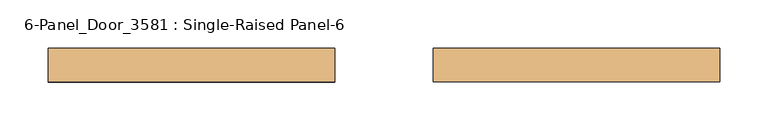
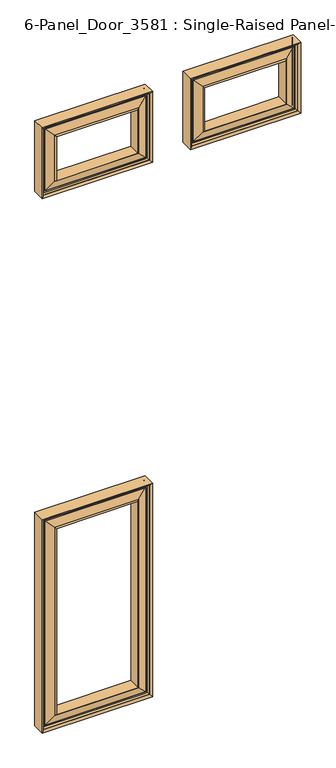
"""IFC4 building model written with IfcOpenShell, lengths in millimetres: door geometry, 6-Panel_Door_3581 : Single-Raised Panel-6."""

from ifc_helpers import new_model, si_unit, frame, origin, place, context, project, spatial, polyline, ellipse_curve, source, transform, mapped, element, save
from ifc_brep_helpers import plane_surface, cylinder_surface, revolved_surface, advanced_brep


def door_6_panel_door_3581_single_raised_panel_6_2811be14(model_context):
    return source(origin(), model_context, "Body", "AdvancedBrep", [
        advanced_brep(
        [(-346.075, -76.0029928, 209.55), (-346.075, -41.4748678, 209.55), (-50.8, -41.4748678, 209.55), (-50.8, -76.0029928, 209.55), (-341.3166359, -71.4389303, 214.3083641), (-55.5583641, -71.4389303, 214.3083641), (-336.55, -68.2639303, 219.075), (-339.725, -71.4389303, 215.9), (-57.15, -71.4389303, 215.9), (-60.325, -68.2639303, 219.075), (-333.375, -66.6613447, 222.25), (-333.375, -68.2639303, 222.25), (-63.5, -68.2639303, 222.25), (-63.5, -66.6613447, 222.25), (-310.8719233, -73.1060696, 244.7530767), (-86.0030767, -73.1060696, 244.7530767), (-307.975, -76.0029928, 247.65), (-88.9, -76.0029928, 247.65), (-307.975, -41.6733053, 247.65), (-88.9, -41.6733053, 247.65), (-310.5938465, -44.2921518, 245.0311535), (-86.2811535, -44.2921518, 245.0311535), (-333.375, -50.8165159, 222.25), (-63.5, -50.8165159, 222.25), (-333.375, -49.2139303, 222.25), (-63.5, -49.2139303, 222.25), (-339.725, -46.0389303, 215.9), (-336.55, -49.2139303, 219.075), (-60.325, -49.2139303, 219.075), (-57.15, -46.0389303, 215.9), (-341.3166359, -46.0389303, 214.3083641), (-55.5583641, -46.0389303, 214.3083641), (-50.8, -41.4748678, 812.8), (-50.8, -76.0029928, 812.8), (-55.5583641, -71.4389303, 808.0416359), (-57.15, -71.4389303, 806.45), (-60.325, -68.2639303, 803.275), (-63.5, -68.2639303, 800.1), (-63.5, -66.6613447, 800.1), (-86.0030767, -73.1060696, 777.5969233), (-88.9, -76.0029928, 774.7), (-88.9, -41.6733053, 774.7), (-86.2811535, -44.2921518, 777.3188465), (-63.5, -50.8165159, 800.1), (-63.5, -49.2139303, 800.1), (-60.325, -49.2139303, 803.275), (-57.15, -46.0389303, 806.45), (-55.5583641, -46.0389303, 808.0416359), (-346.075, -41.4748678, 812.8), (-346.075, -76.0029928, 812.8), (-341.3166359, -71.4389303, 808.0416359), (-339.725, -71.4389303, 806.45), (-336.55, -68.2639303, 803.275), (-333.375, -68.2639303, 800.1), (-333.375, -66.6613447, 800.1), (-310.8719233, -73.1060696, 777.5969233), (-307.975, -76.0029928, 774.7), (-307.975, -41.6733053, 774.7), (-310.5938465, -44.2921518, 777.3188465), (-333.375, -50.8165159, 800.1), (-333.375, -49.2139303, 800.1), (-336.55, -49.2139303, 803.275), (-339.725, -46.0389303, 806.45), (-341.3166359, -46.0389303, 808.0416359)],
        [
            (0, 1),
            (1, 2),
            (2, 3),
            (3, 0),
            (4, 0, ellipse_curve(frame((-346.075, -71.2404928, 209.55), z_axis=(0.7071067811865475, 0.0, -0.7071067811865476), x_axis=(-0.7071067811865475, 0.0, -0.7071067811865475)), 6.7351921, 4.7625)),
            (3, 5, ellipse_curve(frame((-50.8, -71.2404928, 209.55), z_axis=(-0.7071067811865481, 0.0, -0.7071067811865469), x_axis=(-0.7071067811865469, 0.0, 0.707106781186548)), 6.7351921, 4.7625)),
            (5, 4),
            (6, 7, ellipse_curve(frame((-336.55, -71.4389303, 219.075), z_axis=(-0.7071067811865475, 0.0, 0.7071067811865476), x_axis=(0.7071067811865475, 0.0, 0.7071067811865475)), 4.4901281, 3.175)),
            (7, 8),
            (8, 9, ellipse_curve(frame((-60.325, -71.4389303, 219.075), z_axis=(0.7071067811865481, 0.0, 0.7071067811865469), x_axis=(0.7071067811865469, 0.0, -0.707106781186548)), 4.4901281, 3.175)),
            (9, 6),
            (10, 11),
            (11, 12),
            (12, 13),
            (13, 10),
            (14, 10),
            (13, 15),
            (15, 14),
            (16, 14),
            (15, 17),
            (17, 16),
            (18, 16),
            (17, 19),
            (19, 18),
            (20, 18),
            (19, 21),
            (21, 20),
            (22, 20),
            (21, 23),
            (23, 22),
            (24, 22),
            (23, 25),
            (25, 24),
            (26, 27, ellipse_curve(frame((-336.55, -46.0389303, 219.075), z_axis=(-0.7071067811865475, 0.0, 0.7071067811865476), x_axis=(0.7071067811865475, 0.0, 0.7071067811865475)), 4.4901281, 3.175)),
            (27, 28),
            (28, 29, ellipse_curve(frame((-60.325, -46.0389303, 219.075), z_axis=(0.7071067811865481, 0.0, 0.7071067811865469), x_axis=(0.7071067811865469, 0.0, -0.707106781186548)), 4.4901281, 3.175)),
            (29, 26),
            (1, 30, ellipse_curve(frame((-346.075, -46.2373678, 209.55), z_axis=(0.7071067811865475, 0.0, -0.7071067811865476), x_axis=(-0.7071067811865475, 0.0, -0.7071067811865475)), 6.7351921, 4.7625)),
            (30, 31),
            (31, 2, ellipse_curve(frame((-50.8, -46.2373678, 209.55), z_axis=(-0.7071067811865481, 0.0, -0.7071067811865469), x_axis=(-0.7071067811865469, 0.0, 0.707106781186548)), 6.7351921, 4.7625)),
            (2, 32),
            (32, 33),
            (33, 3),
            (33, 34, ellipse_curve(frame((-50.8, -71.2404928, 812.8), z_axis=(0.7071067811865469, 0.0, -0.7071067811865481), x_axis=(-0.707106781186548, 0.0, -0.7071067811865469)), 6.7351921, 4.7625)),
            (34, 5),
            (8, 35),
            (35, 36, ellipse_curve(frame((-60.325, -71.4389303, 803.275), z_axis=(-0.7071067811865469, 0.0, 0.7071067811865481), x_axis=(0.707106781186548, 0.0, 0.7071067811865469)), 4.4901281, 3.175)),
            (36, 9),
            (12, 37),
            (37, 38),
            (38, 13),
            (38, 39),
            (39, 15),
            (39, 40),
            (40, 17),
            (40, 41),
            (41, 19),
            (41, 42),
            (42, 21),
            (42, 43),
            (43, 23),
            (43, 44),
            (44, 25),
            (28, 45),
            (45, 46, ellipse_curve(frame((-60.325, -46.0389303, 803.275), z_axis=(-0.7071067811865469, 0.0, 0.7071067811865481), x_axis=(0.707106781186548, 0.0, 0.7071067811865469)), 4.4901281, 3.175)),
            (46, 29),
            (31, 47),
            (47, 32, ellipse_curve(frame((-50.8, -46.2373678, 812.8), z_axis=(0.7071067811865469, 0.0, -0.7071067811865481), x_axis=(-0.707106781186548, 0.0, -0.7071067811865469)), 6.7351921, 4.7625)),
            (32, 48),
            (48, 49),
            (49, 33),
            (49, 50, ellipse_curve(frame((-346.075, -71.2404928, 812.8), z_axis=(0.7071067811865476, 0.0, 0.7071067811865475), x_axis=(0.7071067811865475, 0.0, -0.7071067811865475)), 6.7351921, 4.7625)),
            (50, 34),
            (35, 51),
            (51, 52, ellipse_curve(frame((-336.55, -71.4389303, 803.275), z_axis=(-0.7071067811865476, 0.0, -0.7071067811865475), x_axis=(-0.7071067811865475, 0.0, 0.7071067811865475)), 4.4901281, 3.175)),
            (52, 36),
            (37, 53),
            (53, 54),
            (54, 38),
            (54, 55),
            (55, 39),
            (55, 56),
            (56, 40),
            (56, 57),
            (57, 41),
            (57, 58),
            (58, 42),
            (58, 59),
            (59, 43),
            (59, 60),
            (60, 44),
            (45, 61),
            (61, 62, ellipse_curve(frame((-336.55, -46.0389303, 803.275), z_axis=(-0.7071067811865476, 0.0, -0.7071067811865475), x_axis=(-0.7071067811865475, 0.0, 0.7071067811865475)), 4.4901281, 3.175)),
            (62, 46),
            (47, 63),
            (63, 48, ellipse_curve(frame((-346.075, -46.2373678, 812.8), z_axis=(0.7071067811865476, 0.0, 0.7071067811865475), x_axis=(0.7071067811865475, 0.0, -0.7071067811865475)), 6.7351921, 4.7625)),
            (48, 1),
            (0, 49),
            (4, 50),
            (7, 51),
            (6, 52),
            (11, 53),
            (10, 54),
            (14, 55),
            (16, 56),
            (18, 57),
            (20, 58),
            (22, 59),
            (24, 60),
            (27, 61),
            (26, 62),
            (30, 63),
        ],
        [
            plane_surface(frame((-346.075, -41.4748678, 209.55), z_axis=(0.0, 0.0, -1.0), x_axis=(1.0, 0.0, 0.0))),
            cylinder_surface(frame((-346.075, -71.2404928, 209.55), z_axis=(-1.0, 0.0, 0.0), x_axis=(0.0, -1.0, 0.0)), 4.7625),
            revolved_surface(polyline([(-57.149999972093724, -74.61393029999999, 219.075), (-339.7250000279063, -74.61393029999999, 219.075)]), (-346.075, -71.4389303, 219.075), (1.0, 0.0, 0.0)),
            plane_surface(frame((-333.375, -68.2639303, 222.25), z_axis=(0.0, 0.0, 1.0), x_axis=(1.0, 0.0, 0.0))),
            plane_surface(frame((-333.375, -66.6613447, 222.25), z_axis=(0.0, -0.9613513906237952, -0.2753243609739161), x_axis=(1.0, 0.0, 0.0))),
            plane_surface(frame((-310.8719233, -73.1060696, 244.7530767), z_axis=(0.0, -0.7071067811921127, -0.7071067811809825), x_axis=(1.0, 0.0, 0.0))),
            plane_surface(frame((-307.975, -76.0029928, 247.65), z_axis=(0.0, 0.0, 1.0), x_axis=(1.0, 0.0, 0.0))),
            plane_surface(frame((-307.975, -41.6733053, 247.65), z_axis=(0.0, 0.7071067811865441, -0.707106781186551), x_axis=(1.0, 0.0, 0.0))),
            plane_surface(frame((-310.5938465, -44.2921518, 245.0311535), z_axis=(0.0, 0.9613513906239465, -0.2753243609733877), x_axis=(1.0, 0.0, 0.0))),
            plane_surface(frame((-333.375, -50.8165159, 222.25), z_axis=(0.0, 0.0, 1.0), x_axis=(1.0, 0.0, 0.0))),
            revolved_surface(polyline([(-57.149999972093724, -49.213930299999994, 219.075), (-339.7250000279063, -49.213930299999994, 219.075)]), (-346.075, -46.0389303, 219.075), (1.0, 0.0, 0.0)),
            cylinder_surface(frame((-346.075, -46.2373678, 209.55), z_axis=(-1.0, 0.0, 0.0), x_axis=(0.0, -1.0, 0.0)), 4.7625),
            plane_surface(frame((-50.8, -41.4748678, 209.55), z_axis=(1.0, 0.0, 0.0), x_axis=(0.0, 0.0, 1.0))),
            cylinder_surface(frame((-50.8, -71.2404928, 209.55), z_axis=(0.0, 0.0, -1.0), x_axis=(0.0, -1.0, 0.0)), 4.7625),
            revolved_surface(polyline([(-60.325, -74.61393029999999, 806.4500000279063), (-60.325, -74.61393029999999, 215.89999997209372)]), (-60.325, -71.4389303, 209.55), (0.0, 0.0, 1.0)),
            plane_surface(frame((-63.5, -68.2639303, 222.25), z_axis=(-1.0, 0.0, 0.0), x_axis=(0.0, 0.0, 1.0))),
            plane_surface(frame((-63.5, -66.6613447, 222.25), z_axis=(0.2753243609739161, -0.9613513906237952, 0.0), x_axis=(0.0, 0.0, 1.0))),
            plane_surface(frame((-86.0030767, -73.1060696, 244.7530767), z_axis=(0.7071067811809825, -0.7071067811921127, 0.0), x_axis=(0.0, 0.0, 1.0))),
            plane_surface(frame((-88.9, -76.0029928, 247.65), z_axis=(-1.0, 0.0, 0.0), x_axis=(0.0, 0.0, 1.0))),
            plane_surface(frame((-88.9, -41.6733053, 247.65), z_axis=(0.707106781186551, 0.7071067811865441, 0.0), x_axis=(0.0, 0.0, 1.0))),
            plane_surface(frame((-86.2811535, -44.2921518, 245.0311535), z_axis=(0.2753243609733877, 0.9613513906239465, 0.0), x_axis=(0.0, 0.0, 1.0))),
            plane_surface(frame((-63.5, -50.8165159, 222.25), z_axis=(-1.0, 0.0, 0.0), x_axis=(0.0, 0.0, 1.0))),
            revolved_surface(polyline([(-60.325, -49.213930299999994, 806.4500000279063), (-60.325, -49.213930299999994, 215.89999997209372)]), (-60.325, -46.0389303, 209.55), (0.0, 0.0, 1.0)),
            cylinder_surface(frame((-50.8, -46.2373678, 209.55), z_axis=(0.0, 0.0, -1.0), x_axis=(0.0, -1.0, 0.0)), 4.7625),
            plane_surface(frame((-50.8, -41.4748678, 812.8), z_axis=(0.0, 0.0, 1.0), x_axis=(-1.0, 0.0, 0.0))),
            cylinder_surface(frame((-50.8, -71.2404928, 812.8), z_axis=(1.0, 0.0, 0.0), x_axis=(0.0, -1.0, 0.0)), 4.7625),
            revolved_surface(polyline([(-339.7250000279063, -74.61393029999999, 803.275), (-57.14999997209373, -74.61393029999999, 803.275)]), (-50.8, -71.4389303, 803.275), (-1.0, 0.0, 0.0)),
            plane_surface(frame((-63.5, -68.2639303, 800.1), z_axis=(0.0, 0.0, -1.0), x_axis=(-1.0, 0.0, 0.0))),
            plane_surface(frame((-63.5, -66.6613447, 800.1), z_axis=(0.0, -0.9613513906237952, 0.2753243609739161), x_axis=(-1.0, 0.0, 0.0))),
            plane_surface(frame((-86.0030767, -73.1060696, 777.5969233), z_axis=(0.0, -0.7071067811921127, 0.7071067811809825), x_axis=(-1.0, 0.0, 0.0))),
            plane_surface(frame((-88.9, -76.0029928, 774.7), z_axis=(0.0, 0.0, -1.0), x_axis=(-1.0, 0.0, 0.0))),
            plane_surface(frame((-88.9, -41.6733053, 774.7), z_axis=(0.0, 0.7071067811865441, 0.707106781186551), x_axis=(-1.0, 0.0, 0.0))),
            plane_surface(frame((-86.2811535, -44.2921518, 777.3188465), z_axis=(0.0, 0.9613513906239465, 0.2753243609733877), x_axis=(-1.0, 0.0, 0.0))),
            plane_surface(frame((-63.5, -50.8165159, 800.1), z_axis=(0.0, 0.0, -1.0), x_axis=(-1.0, 0.0, 0.0))),
            revolved_surface(polyline([(-339.7250000279063, -49.213930299999994, 803.275), (-57.14999997209373, -49.213930299999994, 803.275)]), (-50.8, -46.0389303, 803.275), (-1.0, 0.0, 0.0)),
            cylinder_surface(frame((-50.8, -46.2373678, 812.8), z_axis=(1.0, 0.0, 0.0), x_axis=(0.0, -1.0, 0.0)), 4.7625),
            plane_surface(frame((-346.075, -41.4748678, 812.8), z_axis=(-1.0, 0.0, 0.0), x_axis=(0.0, 0.0, -1.0))),
            cylinder_surface(frame((-346.075, -71.2404928, 812.8), z_axis=(0.0, 0.0, 1.0), x_axis=(0.0, -1.0, 0.0)), 4.7625),
            plane_surface(frame((-341.3166359, -71.4389303, 808.0416359), z_axis=(0.0, -1.0, 0.0), x_axis=(0.0, 0.0, -1.0))),
            revolved_surface(polyline([(-336.55, -74.61393029999999, 215.89999997209372), (-336.55, -74.61393029999999, 806.4500000279063)]), (-336.55, -71.4389303, 812.8), (0.0, 0.0, -1.0)),
            plane_surface(frame((-336.55, -68.2639303, 803.275), z_axis=(0.0, -1.0, 0.0), x_axis=(0.0, 0.0, -1.0))),
            plane_surface(frame((-333.375, -68.2639303, 800.1), z_axis=(1.0, 0.0, 0.0), x_axis=(0.0, 0.0, -1.0))),
            plane_surface(frame((-333.375, -66.6613447, 800.1), z_axis=(-0.2753243609739161, -0.9613513906237952, 0.0), x_axis=(0.0, 0.0, -1.0))),
            plane_surface(frame((-310.8719233, -73.1060696, 777.5969233), z_axis=(-0.7071067811809825, -0.7071067811921127, 0.0), x_axis=(0.0, 0.0, -1.0))),
            plane_surface(frame((-307.975, -76.0029928, 774.7), z_axis=(1.0, 0.0, 0.0), x_axis=(0.0, 0.0, -1.0))),
            plane_surface(frame((-307.975, -41.6733053, 774.7), z_axis=(-0.707106781186551, 0.7071067811865441, 0.0), x_axis=(0.0, 0.0, -1.0))),
            plane_surface(frame((-310.5938465, -44.2921518, 777.3188465), z_axis=(-0.2753243609733877, 0.9613513906239465, 0.0), x_axis=(0.0, 0.0, -1.0))),
            plane_surface(frame((-333.375, -50.8165159, 800.1), z_axis=(1.0, 0.0, 0.0), x_axis=(0.0, 0.0, -1.0))),
            plane_surface(frame((-333.375, -49.2139303, 800.1), z_axis=(0.0, 1.0, 0.0), x_axis=(0.0, 0.0, -1.0))),
            revolved_surface(polyline([(-336.55, -49.213930299999994, 215.89999997209372), (-336.55, -49.213930299999994, 806.4500000279063)]), (-336.55, -46.0389303, 812.8), (0.0, 0.0, -1.0)),
            plane_surface(frame((-339.725, -46.0389303, 806.45), z_axis=(0.0, 1.0, 0.0), x_axis=(0.0, 0.0, -1.0))),
            cylinder_surface(frame((-346.075, -46.2373678, 812.8), z_axis=(0.0, 0.0, 1.0), x_axis=(0.0, -1.0, 0.0)), 4.7625),
        ],
        [
            (0, [[1, 2, 3, 4]]),
            (1, [[5, -4, 6, 7]]),
            (2, [[8, 9, 10, 11]]),
            (3, [[12, 13, 14, 15]]),
            (4, [[16, -15, 17, 18]]),
            (5, [[19, -18, 20, 21]]),
            (6, [[22, -21, 23, 24]]),
            (7, [[25, -24, 26, 27]]),
            (8, [[28, -27, 29, 30]]),
            (9, [[31, -30, 32, 33]]),
            (10, [[34, 35, 36, 37]]),
            (11, [[38, 39, 40, -2]]),
            (12, [[-3, 41, 42, 43]]),
            (13, [[-6, -43, 44, 45]]),
            (14, [[-10, 46, 47, 48]]),
            (15, [[-14, 49, 50, 51]]),
            (16, [[-17, -51, 52, 53]]),
            (17, [[-20, -53, 54, 55]]),
            (18, [[-23, -55, 56, 57]]),
            (19, [[-26, -57, 58, 59]]),
            (20, [[-29, -59, 60, 61]]),
            (21, [[-32, -61, 62, 63]]),
            (22, [[-36, 64, 65, 66]]),
            (23, [[-40, 67, 68, -41]]),
            (24, [[-42, 69, 70, 71]]),
            (25, [[-44, -71, 72, 73]]),
            (26, [[-47, 74, 75, 76]]),
            (27, [[-50, 77, 78, 79]]),
            (28, [[-52, -79, 80, 81]]),
            (29, [[-54, -81, 82, 83]]),
            (30, [[-56, -83, 84, 85]]),
            (31, [[-58, -85, 86, 87]]),
            (32, [[-60, -87, 88, 89]]),
            (33, [[-62, -89, 90, 91]]),
            (34, [[-65, 92, 93, 94]]),
            (35, [[-68, 95, 96, -69]]),
            (36, [[-70, 97, -1, 98]]),
            (37, [[-72, -98, -5, 99]]),
            (38, [[-45, -73, -99, -7], [100, -74, -46, -9]]),
            (39, [[-75, -100, -8, 101]]),
            (40, [[-48, -76, -101, -11], [102, -77, -49, -13]]),
            (41, [[-78, -102, -12, 103]]),
            (42, [[-80, -103, -16, 104]]),
            (43, [[-82, -104, -19, 105]]),
            (44, [[-84, -105, -22, 106]]),
            (45, [[-86, -106, -25, 107]]),
            (46, [[-88, -107, -28, 108]]),
            (47, [[-90, -108, -31, 109]]),
            (48, [[110, -92, -64, -35], [-63, -91, -109, -33]]),
            (49, [[-93, -110, -34, 111]]),
            (50, [[112, -95, -67, -39], [-66, -94, -111, -37]]),
            (51, [[-96, -112, -38, -97]]),
        ],
    ),
        advanced_brep(
        [(50.8, -76.0029928, 1720.85), (50.8, -41.4748678, 1720.85), (346.075, -41.4748678, 1720.85), (346.075, -76.0029928, 1720.85), (55.5583641, -71.4389303, 1725.6083641), (341.3166359, -71.4389303, 1725.6083641), (60.325, -68.2639303, 1730.375), (57.15, -71.4389303, 1727.2), (339.725, -71.4389303, 1727.2), (336.55, -68.2639303, 1730.375), (63.5, -66.6613447, 1733.55), (63.5, -68.2639303, 1733.55), (333.375, -68.2639303, 1733.55), (333.375, -66.6613447, 1733.55), (86.0030767, -73.1060696, 1756.0530767), (310.8719233, -73.1060696, 1756.0530767), (88.9, -76.0029928, 1758.95), (307.975, -76.0029928, 1758.95), (88.9, -41.6733053, 1758.95), (307.975, -41.6733053, 1758.95), (86.2811535, -44.2921518, 1756.3311535), (310.5938465, -44.2921518, 1756.3311535), (63.5, -50.8165159, 1733.55), (333.375, -50.8165159, 1733.55), (63.5, -49.2139303, 1733.55), (333.375, -49.2139303, 1733.55), (57.15, -46.0389303, 1727.2), (60.325, -49.2139303, 1730.375), (336.55, -49.2139303, 1730.375), (339.725, -46.0389303, 1727.2), (55.5583641, -46.0389303, 1725.6083641), (341.3166359, -46.0389303, 1725.6083641), (346.075, -41.4748678, 1920.875), (346.075, -76.0029928, 1920.875), (341.3166359, -71.4389303, 1916.1166359), (339.725, -71.4389303, 1914.525), (336.55, -68.2639303, 1911.35), (333.375, -68.2639303, 1908.175), (333.375, -66.6613447, 1908.175), (310.8719233, -73.1060696, 1885.6719233), (307.975, -76.0029928, 1882.775), (307.975, -41.6733053, 1882.775), (310.5938465, -44.2921518, 1885.3938465), (333.375, -50.8165159, 1908.175), (333.375, -49.2139303, 1908.175), (336.55, -49.2139303, 1911.35), (339.725, -46.0389303, 1914.525), (341.3166359, -46.0389303, 1916.1166359), (50.8, -41.4748678, 1920.875), (50.8, -76.0029928, 1920.875), (55.5583641, -71.4389303, 1916.1166359), (57.15, -71.4389303, 1914.525), (60.325, -68.2639303, 1911.35), (63.5, -68.2639303, 1908.175), (63.5, -66.6613447, 1908.175), (86.0030767, -73.1060696, 1885.6719233), (88.9, -76.0029928, 1882.775), (88.9, -41.6733053, 1882.775), (86.2811535, -44.2921518, 1885.3938465), (63.5, -50.8165159, 1908.175), (63.5, -49.2139303, 1908.175), (60.325, -49.2139303, 1911.35), (57.15, -46.0389303, 1914.525), (55.5583641, -46.0389303, 1916.1166359)],
        [
            (0, 1),
            (1, 2),
            (2, 3),
            (3, 0),
            (4, 0, ellipse_curve(frame((50.8, -71.2404928, 1720.85), z_axis=(0.7071067811865475, 0.0, -0.7071067811865475), x_axis=(-0.7071067811865476, 0.0, -0.7071067811865474)), 6.7351921, 4.7625)),
            (3, 5, ellipse_curve(frame((346.075, -71.2404928, 1720.85), z_axis=(-0.7071067811865475, 0.0, -0.7071067811865475), x_axis=(-0.7071067811865476, 0.0, 0.7071067811865474)), 6.7351921, 4.7625)),
            (5, 4),
            (6, 7, ellipse_curve(frame((60.325, -71.4389303, 1730.375), z_axis=(-0.7071067811865475, 0.0, 0.7071067811865475), x_axis=(0.7071067811865476, 0.0, 0.7071067811865474)), 4.4901281, 3.175)),
            (7, 8),
            (8, 9, ellipse_curve(frame((336.55, -71.4389303, 1730.375), z_axis=(0.7071067811865475, 0.0, 0.7071067811865475), x_axis=(0.7071067811865476, 0.0, -0.7071067811865474)), 4.4901281, 3.175)),
            (9, 6),
            (10, 11),
            (11, 12),
            (12, 13),
            (13, 10),
            (14, 10),
            (13, 15),
            (15, 14),
            (16, 14),
            (15, 17),
            (17, 16),
            (18, 16),
            (17, 19),
            (19, 18),
            (20, 18),
            (19, 21),
            (21, 20),
            (22, 20),
            (21, 23),
            (23, 22),
            (24, 22),
            (23, 25),
            (25, 24),
            (26, 27, ellipse_curve(frame((60.325, -46.0389303, 1730.375), z_axis=(-0.7071067811865475, 0.0, 0.7071067811865475), x_axis=(0.7071067811865476, 0.0, 0.7071067811865474)), 4.4901281, 3.175)),
            (27, 28),
            (28, 29, ellipse_curve(frame((336.55, -46.0389303, 1730.375), z_axis=(0.7071067811865475, 0.0, 0.7071067811865475), x_axis=(0.7071067811865476, 0.0, -0.7071067811865474)), 4.4901281, 3.175)),
            (29, 26),
            (1, 30, ellipse_curve(frame((50.8, -46.2373678, 1720.85), z_axis=(0.7071067811865475, 0.0, -0.7071067811865475), x_axis=(-0.7071067811865476, 0.0, -0.7071067811865474)), 6.7351921, 4.7625)),
            (30, 31),
            (31, 2, ellipse_curve(frame((346.075, -46.2373678, 1720.85), z_axis=(-0.7071067811865475, 0.0, -0.7071067811865475), x_axis=(-0.7071067811865476, 0.0, 0.7071067811865474)), 6.7351921, 4.7625)),
            (2, 32),
            (32, 33),
            (33, 3),
            (33, 34, ellipse_curve(frame((346.075, -71.2404928, 1920.875), z_axis=(0.7071067811865475, 0.0, -0.7071067811865475), x_axis=(-0.7071067811865474, 0.0, -0.7071067811865476)), 6.7351921, 4.7625)),
            (34, 5),
            (8, 35),
            (35, 36, ellipse_curve(frame((336.55, -71.4389303, 1911.35), z_axis=(-0.7071067811865475, 0.0, 0.7071067811865475), x_axis=(0.7071067811865474, 0.0, 0.7071067811865476)), 4.4901281, 3.175)),
            (36, 9),
            (12, 37),
            (37, 38),
            (38, 13),
            (38, 39),
            (39, 15),
            (39, 40),
            (40, 17),
            (40, 41),
            (41, 19),
            (41, 42),
            (42, 21),
            (42, 43),
            (43, 23),
            (43, 44),
            (44, 25),
            (28, 45),
            (45, 46, ellipse_curve(frame((336.55, -46.0389303, 1911.35), z_axis=(-0.7071067811865475, 0.0, 0.7071067811865475), x_axis=(0.7071067811865474, 0.0, 0.7071067811865476)), 4.4901281, 3.175)),
            (46, 29),
            (31, 47),
            (47, 32, ellipse_curve(frame((346.075, -46.2373678, 1920.875), z_axis=(0.7071067811865475, 0.0, -0.7071067811865475), x_axis=(-0.7071067811865474, 0.0, -0.7071067811865476)), 6.7351921, 4.7625)),
            (32, 48),
            (48, 49),
            (49, 33),
            (49, 50, ellipse_curve(frame((50.8, -71.2404928, 1920.875), z_axis=(0.7071067811865475, 0.0, 0.7071067811865475), x_axis=(0.7071067811865476, 0.0, -0.7071067811865474)), 6.7351921, 4.7625)),
            (50, 34),
            (35, 51),
            (51, 52, ellipse_curve(frame((60.325, -71.4389303, 1911.35), z_axis=(-0.7071067811865475, 0.0, -0.7071067811865475), x_axis=(-0.7071067811865476, 0.0, 0.7071067811865474)), 4.4901281, 3.175)),
            (52, 36),
            (37, 53),
            (53, 54),
            (54, 38),
            (54, 55),
            (55, 39),
            (55, 56),
            (56, 40),
            (56, 57),
            (57, 41),
            (57, 58),
            (58, 42),
            (58, 59),
            (59, 43),
            (59, 60),
            (60, 44),
            (45, 61),
            (61, 62, ellipse_curve(frame((60.325, -46.0389303, 1911.35), z_axis=(-0.7071067811865475, 0.0, -0.7071067811865475), x_axis=(-0.7071067811865476, 0.0, 0.7071067811865474)), 4.4901281, 3.175)),
            (62, 46),
            (47, 63),
            (63, 48, ellipse_curve(frame((50.8, -46.2373678, 1920.875), z_axis=(0.7071067811865475, 0.0, 0.7071067811865475), x_axis=(0.7071067811865476, 0.0, -0.7071067811865474)), 6.7351921, 4.7625)),
            (48, 1),
            (0, 49),
            (4, 50),
            (7, 51),
            (6, 52),
            (11, 53),
            (10, 54),
            (14, 55),
            (16, 56),
            (18, 57),
            (20, 58),
            (22, 59),
            (24, 60),
            (27, 61),
            (26, 62),
            (30, 63),
        ],
        [
            plane_surface(frame((50.8, -41.4748678, 1720.85), z_axis=(0.0, 0.0, -1.0), x_axis=(1.0, 0.0, 0.0))),
            cylinder_surface(frame((50.8, -71.2404928, 1720.85), z_axis=(-1.0, 0.0, 0.0), x_axis=(0.0, -1.0, 0.0)), 4.7625),
            revolved_surface(polyline([(339.7250000279063, -74.61393029999999, 1730.375), (57.14999997209374, -74.61393029999999, 1730.375)]), (50.8, -71.4389303, 1730.375), (1.0, 0.0, 0.0)),
            plane_surface(frame((63.5, -68.2639303, 1733.55), z_axis=(0.0, 0.0, 1.0), x_axis=(1.0, 0.0, 0.0))),
            plane_surface(frame((63.5, -66.6613447, 1733.55), z_axis=(0.0, -0.9613513906239444, -0.27532436097339497), x_axis=(1.0, 0.0, 0.0))),
            plane_surface(frame((86.0030767, -73.1060696, 1756.0530767), z_axis=(0.0, -0.7071067811865517, -0.7071067811865435), x_axis=(1.0, 0.0, 0.0))),
            plane_surface(frame((88.9, -76.0029928, 1758.95), z_axis=(0.0, 0.0, 1.0), x_axis=(1.0, 0.0, 0.0))),
            plane_surface(frame((88.9, -41.6733053, 1758.95), z_axis=(0.0, 0.7071067811865452, -0.7071067811865498), x_axis=(1.0, 0.0, 0.0))),
            plane_surface(frame((86.2811535, -44.2921518, 1756.3311535), z_axis=(0.0, 0.9613513906239086, -0.27532436097352025), x_axis=(1.0, 0.0, 0.0))),
            plane_surface(frame((63.5, -50.8165159, 1733.55), z_axis=(0.0, 0.0, 1.0), x_axis=(1.0, 0.0, 0.0))),
            revolved_surface(polyline([(339.7250000279063, -49.213930299999994, 1730.375), (57.14999997209374, -49.213930299999994, 1730.375)]), (50.8, -46.0389303, 1730.375), (1.0, 0.0, 0.0)),
            cylinder_surface(frame((50.8, -46.2373678, 1720.85), z_axis=(-1.0, 0.0, 0.0), x_axis=(0.0, -1.0, 0.0)), 4.7625),
            plane_surface(frame((346.075, -41.4748678, 1720.85), z_axis=(1.0, 0.0, 0.0), x_axis=(0.0, 0.0, 1.0))),
            cylinder_surface(frame((346.075, -71.2404928, 1720.85), z_axis=(0.0, 0.0, -1.0), x_axis=(0.0, -1.0, 0.0)), 4.7625),
            revolved_surface(polyline([(336.55, -74.61393029999999, 1914.5250000279061), (336.55, -74.61393029999999, 1727.1999999720938)]), (336.55, -71.4389303, 1720.85), (0.0, 0.0, 1.0)),
            plane_surface(frame((333.375, -68.2639303, 1733.55), z_axis=(-1.0, 0.0, 0.0), x_axis=(0.0, 0.0, 1.0))),
            plane_surface(frame((333.375, -66.6613447, 1733.55), z_axis=(0.27532436097339497, -0.9613513906239444, 0.0), x_axis=(0.0, 0.0, 1.0))),
            plane_surface(frame((310.8719233, -73.1060696, 1756.0530767), z_axis=(0.7071067811865435, -0.7071067811865517, 0.0), x_axis=(0.0, 0.0, 1.0))),
            plane_surface(frame((307.975, -76.0029928, 1758.95), z_axis=(-1.0, 0.0, 0.0), x_axis=(0.0, 0.0, 1.0))),
            plane_surface(frame((307.975, -41.6733053, 1758.95), z_axis=(0.7071067811865498, 0.7071067811865452, 0.0), x_axis=(0.0, 0.0, 1.0))),
            plane_surface(frame((310.5938465, -44.2921518, 1756.3311535), z_axis=(0.27532436097352025, 0.9613513906239086, 0.0), x_axis=(0.0, 0.0, 1.0))),
            plane_surface(frame((333.375, -50.8165159, 1733.55), z_axis=(-1.0, 0.0, 0.0), x_axis=(0.0, 0.0, 1.0))),
            revolved_surface(polyline([(336.55, -49.213930299999994, 1914.5250000279061), (336.55, -49.213930299999994, 1727.1999999720938)]), (336.55, -46.0389303, 1720.85), (0.0, 0.0, 1.0)),
            cylinder_surface(frame((346.075, -46.2373678, 1720.85), z_axis=(0.0, 0.0, -1.0), x_axis=(0.0, -1.0, 0.0)), 4.7625),
            plane_surface(frame((346.075, -41.4748678, 1920.875), z_axis=(0.0, 0.0, 1.0), x_axis=(-1.0, 0.0, 0.0))),
            cylinder_surface(frame((346.075, -71.2404928, 1920.875), z_axis=(1.0, 0.0, 0.0), x_axis=(0.0, -1.0, 0.0)), 4.7625),
            revolved_surface(polyline([(57.149999972093724, -74.61393029999999, 1911.35), (339.7250000279063, -74.61393029999999, 1911.35)]), (346.075, -71.4389303, 1911.35), (-1.0, 0.0, 0.0)),
            plane_surface(frame((333.375, -68.2639303, 1908.175), z_axis=(0.0, 0.0, -1.0), x_axis=(-1.0, 0.0, 0.0))),
            plane_surface(frame((333.375, -66.6613447, 1908.175), z_axis=(0.0, -0.9613513906239444, 0.27532436097339497), x_axis=(-1.0, 0.0, 0.0))),
            plane_surface(frame((310.8719233, -73.1060696, 1885.6719233), z_axis=(0.0, -0.7071067811865517, 0.7071067811865435), x_axis=(-1.0, 0.0, 0.0))),
            plane_surface(frame((307.975, -76.0029928, 1882.775), z_axis=(0.0, 0.0, -1.0), x_axis=(-1.0, 0.0, 0.0))),
            plane_surface(frame((307.975, -41.6733053, 1882.775), z_axis=(0.0, 0.7071067811865452, 0.7071067811865498), x_axis=(-1.0, 0.0, 0.0))),
            plane_surface(frame((310.5938465, -44.2921518, 1885.3938465), z_axis=(0.0, 0.9613513906239086, 0.27532436097352025), x_axis=(-1.0, 0.0, 0.0))),
            plane_surface(frame((333.375, -50.8165159, 1908.175), z_axis=(0.0, 0.0, -1.0), x_axis=(-1.0, 0.0, 0.0))),
            revolved_surface(polyline([(57.149999972093724, -49.213930299999994, 1911.35), (339.7250000279063, -49.213930299999994, 1911.35)]), (346.075, -46.0389303, 1911.35), (-1.0, 0.0, 0.0)),
            cylinder_surface(frame((346.075, -46.2373678, 1920.875), z_axis=(1.0, 0.0, 0.0), x_axis=(0.0, -1.0, 0.0)), 4.7625),
            plane_surface(frame((50.8, -41.4748678, 1920.875), z_axis=(-1.0, 0.0, 0.0), x_axis=(0.0, 0.0, -1.0))),
            cylinder_surface(frame((50.8, -71.2404928, 1920.875), z_axis=(0.0, 0.0, 1.0), x_axis=(0.0, -1.0, 0.0)), 4.7625),
            plane_surface(frame((55.5583641, -71.4389303, 1916.1166359), z_axis=(0.0, -1.0, 0.0), x_axis=(0.0, 0.0, -1.0))),
            revolved_surface(polyline([(60.325, -74.61393029999999, 1727.1999999720938), (60.325, -74.61393029999999, 1914.5250000279061)]), (60.325, -71.4389303, 1920.875), (0.0, 0.0, -1.0)),
            plane_surface(frame((60.325, -68.2639303, 1911.35), z_axis=(0.0, -1.0, 0.0), x_axis=(0.0, 0.0, -1.0))),
            plane_surface(frame((63.5, -68.2639303, 1908.175), z_axis=(1.0, 0.0, 0.0), x_axis=(0.0, 0.0, -1.0))),
            plane_surface(frame((63.5, -66.6613447, 1908.175), z_axis=(-0.27532436097339497, -0.9613513906239444, 0.0), x_axis=(0.0, 0.0, -1.0))),
            plane_surface(frame((86.0030767, -73.1060696, 1885.6719233), z_axis=(-0.7071067811865435, -0.7071067811865517, 0.0), x_axis=(0.0, 0.0, -1.0))),
            plane_surface(frame((88.9, -76.0029928, 1882.775), z_axis=(1.0, 0.0, 0.0), x_axis=(0.0, 0.0, -1.0))),
            plane_surface(frame((88.9, -41.6733053, 1882.775), z_axis=(-0.7071067811865498, 0.7071067811865452, 0.0), x_axis=(0.0, 0.0, -1.0))),
            plane_surface(frame((86.2811535, -44.2921518, 1885.3938465), z_axis=(-0.27532436097352025, 0.9613513906239086, 0.0), x_axis=(0.0, 0.0, -1.0))),
            plane_surface(frame((63.5, -50.8165159, 1908.175), z_axis=(1.0, 0.0, 0.0), x_axis=(0.0, 0.0, -1.0))),
            plane_surface(frame((63.5, -49.2139303, 1908.175), z_axis=(0.0, 1.0, 0.0), x_axis=(0.0, 0.0, -1.0))),
            revolved_surface(polyline([(60.325, -49.213930299999994, 1727.1999999720938), (60.325, -49.213930299999994, 1914.5250000279061)]), (60.325, -46.0389303, 1920.875), (0.0, 0.0, -1.0)),
            plane_surface(frame((57.15, -46.0389303, 1914.525), z_axis=(0.0, 1.0, 0.0), x_axis=(0.0, 0.0, -1.0))),
            cylinder_surface(frame((50.8, -46.2373678, 1920.875), z_axis=(0.0, 0.0, 1.0), x_axis=(0.0, -1.0, 0.0)), 4.7625),
        ],
        [
            (0, [[1, 2, 3, 4]]),
            (1, [[5, -4, 6, 7]]),
            (2, [[8, 9, 10, 11]]),
            (3, [[12, 13, 14, 15]]),
            (4, [[16, -15, 17, 18]]),
            (5, [[19, -18, 20, 21]]),
            (6, [[22, -21, 23, 24]]),
            (7, [[25, -24, 26, 27]]),
            (8, [[28, -27, 29, 30]]),
            (9, [[31, -30, 32, 33]]),
            (10, [[34, 35, 36, 37]]),
            (11, [[38, 39, 40, -2]]),
            (12, [[-3, 41, 42, 43]]),
            (13, [[-6, -43, 44, 45]]),
            (14, [[-10, 46, 47, 48]]),
            (15, [[-14, 49, 50, 51]]),
            (16, [[-17, -51, 52, 53]]),
            (17, [[-20, -53, 54, 55]]),
            (18, [[-23, -55, 56, 57]]),
            (19, [[-26, -57, 58, 59]]),
            (20, [[-29, -59, 60, 61]]),
            (21, [[-32, -61, 62, 63]]),
            (22, [[-36, 64, 65, 66]]),
            (23, [[-40, 67, 68, -41]]),
            (24, [[-42, 69, 70, 71]]),
            (25, [[-44, -71, 72, 73]]),
            (26, [[-47, 74, 75, 76]]),
            (27, [[-50, 77, 78, 79]]),
            (28, [[-52, -79, 80, 81]]),
            (29, [[-54, -81, 82, 83]]),
            (30, [[-56, -83, 84, 85]]),
            (31, [[-58, -85, 86, 87]]),
            (32, [[-60, -87, 88, 89]]),
            (33, [[-62, -89, 90, 91]]),
            (34, [[-65, 92, 93, 94]]),
            (35, [[-68, 95, 96, -69]]),
            (36, [[-70, 97, -1, 98]]),
            (37, [[-72, -98, -5, 99]]),
            (38, [[-45, -73, -99, -7], [100, -74, -46, -9]]),
            (39, [[-75, -100, -8, 101]]),
            (40, [[-48, -76, -101, -11], [102, -77, -49, -13]]),
            (41, [[-78, -102, -12, 103]]),
            (42, [[-80, -103, -16, 104]]),
            (43, [[-82, -104, -19, 105]]),
            (44, [[-84, -105, -22, 106]]),
            (45, [[-86, -106, -25, 107]]),
            (46, [[-88, -107, -28, 108]]),
            (47, [[-90, -108, -31, 109]]),
            (48, [[110, -92, -64, -35], [-63, -91, -109, -33]]),
            (49, [[-93, -110, -34, 111]]),
            (50, [[112, -95, -67, -39], [-66, -94, -111, -37]]),
            (51, [[-96, -112, -38, -97]]),
        ],
    ),
        advanced_brep(
        [(-341.3166359, -46.0389303, 1916.1166359), (-346.075, -41.4748678, 1920.875), (-50.8, -41.4748678, 1920.875), (-55.5583641, -46.0389303, 1916.1166359), (-336.55, -49.2139303, 1911.35), (-339.725, -46.0389303, 1914.525), (-57.15, -46.0389303, 1914.525), (-60.325, -49.2139303, 1911.35), (-333.375, -50.8165159, 1908.175), (-333.375, -49.2139303, 1908.175), (-63.5, -49.2139303, 1908.175), (-63.5, -50.8165159, 1908.175), (-310.5938465, -44.2921518, 1885.3938465), (-86.2811535, -44.2921518, 1885.3938465), (-307.975, -41.6733053, 1882.775), (-88.9, -41.6733053, 1882.775), (-307.975, -76.0029928, 1882.775), (-88.9, -76.0029928, 1882.775), (-310.8719233, -73.1060696, 1885.6719233), (-86.0030767, -73.1060696, 1885.6719233), (-333.375, -66.6613447, 1908.175), (-63.5, -66.6613447, 1908.175), (-333.375, -68.2639303, 1908.175), (-63.5, -68.2639303, 1908.175), (-339.725, -71.4389303, 1914.525), (-336.55, -68.2639303, 1911.35), (-60.325, -68.2639303, 1911.35), (-57.15, -71.4389303, 1914.525), (-346.075, -76.0029928, 1920.875), (-341.3166359, -71.4389303, 1916.1166359), (-55.5583641, -71.4389303, 1916.1166359), (-50.8, -76.0029928, 1920.875), (-50.8, -41.4748678, 1720.85), (-55.5583641, -46.0389303, 1725.6083641), (-57.15, -46.0389303, 1727.2), (-60.325, -49.2139303, 1730.375), (-63.5, -49.2139303, 1733.55), (-63.5, -50.8165159, 1733.55), (-86.2811535, -44.2921518, 1756.3311535), (-88.9, -41.6733053, 1758.95), (-88.9, -76.0029928, 1758.95), (-86.0030767, -73.1060696, 1756.0530767), (-63.5, -66.6613447, 1733.55), (-63.5, -68.2639303, 1733.55), (-60.325, -68.2639303, 1730.375), (-57.15, -71.4389303, 1727.2), (-55.5583641, -71.4389303, 1725.6083641), (-50.8, -76.0029928, 1720.85), (-346.075, -41.4748678, 1720.85), (-341.3166359, -46.0389303, 1725.6083641), (-339.725, -46.0389303, 1727.2), (-336.55, -49.2139303, 1730.375), (-333.375, -49.2139303, 1733.55), (-333.375, -50.8165159, 1733.55), (-310.5938465, -44.2921518, 1756.3311535), (-307.975, -41.6733053, 1758.95), (-307.975, -76.0029928, 1758.95), (-310.8719233, -73.1060696, 1756.0530767), (-333.375, -66.6613447, 1733.55), (-333.375, -68.2639303, 1733.55), (-336.55, -68.2639303, 1730.375), (-339.725, -71.4389303, 1727.2), (-341.3166359, -71.4389303, 1725.6083641), (-346.075, -76.0029928, 1720.85)],
        [
            (0, 1, ellipse_curve(frame((-346.075, -46.2373678, 1920.875), z_axis=(0.7071067811865475, 0.0, 0.7071067811865475), x_axis=(-0.7071067811865476, 0.0, 0.7071067811865474)), 6.7351921, 4.7625)),
            (1, 2),
            (2, 3, ellipse_curve(frame((-50.8, -46.2373678, 1920.875), z_axis=(-0.7071067811865475, 0.0, 0.7071067811865475), x_axis=(-0.7071067811865476, 0.0, -0.7071067811865474)), 6.7351921, 4.7625)),
            (3, 0),
            (4, 5, ellipse_curve(frame((-336.55, -46.0389303, 1911.35), z_axis=(-0.7071067811865475, 0.0, -0.7071067811865475), x_axis=(0.7071067811865476, 0.0, -0.7071067811865474)), 4.4901281, 3.175)),
            (5, 6),
            (6, 7, ellipse_curve(frame((-60.325, -46.0389303, 1911.35), z_axis=(0.7071067811865475, 0.0, -0.7071067811865475), x_axis=(0.7071067811865476, 0.0, 0.7071067811865474)), 4.4901281, 3.175)),
            (7, 4),
            (8, 9),
            (9, 10),
            (10, 11),
            (11, 8),
            (12, 8),
            (11, 13),
            (13, 12),
            (14, 12),
            (13, 15),
            (15, 14),
            (16, 14),
            (15, 17),
            (17, 16),
            (18, 16),
            (17, 19),
            (19, 18),
            (20, 18),
            (19, 21),
            (21, 20),
            (22, 20),
            (21, 23),
            (23, 22),
            (24, 25, ellipse_curve(frame((-336.55, -71.4389303, 1911.35), z_axis=(-0.7071067811865475, 0.0, -0.7071067811865475), x_axis=(0.7071067811865476, 0.0, -0.7071067811865474)), 4.4901281, 3.175)),
            (25, 26),
            (26, 27, ellipse_curve(frame((-60.325, -71.4389303, 1911.35), z_axis=(0.7071067811865475, 0.0, -0.7071067811865475), x_axis=(0.7071067811865476, 0.0, 0.7071067811865474)), 4.4901281, 3.175)),
            (27, 24),
            (28, 29, ellipse_curve(frame((-346.075, -71.2404928, 1920.875), z_axis=(0.7071067811865475, 0.0, 0.7071067811865475), x_axis=(-0.7071067811865476, 0.0, 0.7071067811865474)), 6.7351921, 4.7625)),
            (29, 30),
            (30, 31, ellipse_curve(frame((-50.8, -71.2404928, 1920.875), z_axis=(-0.7071067811865475, 0.0, 0.7071067811865475), x_axis=(-0.7071067811865476, 0.0, -0.7071067811865474)), 6.7351921, 4.7625)),
            (31, 28),
            (1, 28),
            (31, 2),
            (2, 32),
            (32, 33, ellipse_curve(frame((-50.8, -46.2373678, 1720.85), z_axis=(0.7071067811865475, 0.0, 0.7071067811865475), x_axis=(-0.7071067811865474, 0.0, 0.7071067811865476)), 6.7351921, 4.7625)),
            (33, 3),
            (6, 34),
            (34, 35, ellipse_curve(frame((-60.325, -46.0389303, 1730.375), z_axis=(-0.7071067811865475, 0.0, -0.7071067811865475), x_axis=(0.7071067811865474, 0.0, -0.7071067811865476)), 4.4901281, 3.175)),
            (35, 7),
            (10, 36),
            (36, 37),
            (37, 11),
            (37, 38),
            (38, 13),
            (38, 39),
            (39, 15),
            (39, 40),
            (40, 17),
            (40, 41),
            (41, 19),
            (41, 42),
            (42, 21),
            (42, 43),
            (43, 23),
            (26, 44),
            (44, 45, ellipse_curve(frame((-60.325, -71.4389303, 1730.375), z_axis=(-0.7071067811865475, 0.0, -0.7071067811865475), x_axis=(0.7071067811865474, 0.0, -0.7071067811865476)), 4.4901281, 3.175)),
            (45, 27),
            (30, 46),
            (46, 47, ellipse_curve(frame((-50.8, -71.2404928, 1720.85), z_axis=(0.7071067811865475, 0.0, 0.7071067811865475), x_axis=(-0.7071067811865474, 0.0, 0.7071067811865476)), 6.7351921, 4.7625)),
            (47, 31),
            (47, 32),
            (32, 48),
            (48, 49, ellipse_curve(frame((-346.075, -46.2373678, 1720.85), z_axis=(0.7071067811865475, 0.0, -0.7071067811865475), x_axis=(0.7071067811865476, 0.0, 0.7071067811865474)), 6.7351921, 4.7625)),
            (49, 33),
            (34, 50),
            (50, 51, ellipse_curve(frame((-336.55, -46.0389303, 1730.375), z_axis=(-0.7071067811865475, 0.0, 0.7071067811865475), x_axis=(-0.7071067811865476, 0.0, -0.7071067811865474)), 4.4901281, 3.175)),
            (51, 35),
            (36, 52),
            (52, 53),
            (53, 37),
            (53, 54),
            (54, 38),
            (54, 55),
            (55, 39),
            (55, 56),
            (56, 40),
            (56, 57),
            (57, 41),
            (57, 58),
            (58, 42),
            (58, 59),
            (59, 43),
            (44, 60),
            (60, 61, ellipse_curve(frame((-336.55, -71.4389303, 1730.375), z_axis=(-0.7071067811865475, 0.0, 0.7071067811865475), x_axis=(-0.7071067811865476, 0.0, -0.7071067811865474)), 4.4901281, 3.175)),
            (61, 45),
            (46, 62),
            (62, 63, ellipse_curve(frame((-346.075, -71.2404928, 1720.85), z_axis=(0.7071067811865475, 0.0, -0.7071067811865475), x_axis=(0.7071067811865476, 0.0, 0.7071067811865474)), 6.7351921, 4.7625)),
            (63, 47),
            (63, 48),
            (48, 1),
            (0, 49),
            (5, 50),
            (4, 51),
            (9, 52),
            (8, 53),
            (12, 54),
            (14, 55),
            (16, 56),
            (18, 57),
            (20, 58),
            (22, 59),
            (25, 60),
            (24, 61),
            (29, 62),
            (28, 63),
        ],
        [
            cylinder_surface(frame((-346.075, -46.2373678, 1920.875), z_axis=(-1.0, 0.0, 0.0), x_axis=(0.0, 0.0, 1.0)), 4.7625),
            revolved_surface(polyline([(-57.149999972093724, -46.0389303, 1914.5249999999999), (-339.7250000279063, -46.0389303, 1914.5249999999999)]), (-346.075, -46.0389303, 1911.35), (1.0, 0.0, 0.0)),
            plane_surface(frame((-333.375, -49.2139303, 1908.175), z_axis=(0.0, 0.0, -1.0), x_axis=(1.0, 0.0, 0.0))),
            plane_surface(frame((-333.375, -50.8165159, 1908.175), z_axis=(0.0, 0.9613513906239456, 0.2753243609733912), x_axis=(1.0, 0.0, 0.0))),
            plane_surface(frame((-310.5938465, -44.2921518, 1885.3938465), z_axis=(0.0, 0.7071067811865396, 0.7071067811865556), x_axis=(1.0, 0.0, 0.0))),
            plane_surface(frame((-307.975, -41.6733053, 1882.775), z_axis=(0.0, 0.0, -1.0), x_axis=(1.0, 0.0, 0.0))),
            plane_surface(frame((-307.975, -76.0029928, 1882.775), z_axis=(0.0, -0.7071067811865341, 0.707106781186561), x_axis=(1.0, 0.0, 0.0))),
            plane_surface(frame((-310.8719233, -73.1060696, 1885.6719233), z_axis=(0.0, -0.961351390623944, 0.27532436097339663), x_axis=(1.0, 0.0, 0.0))),
            plane_surface(frame((-333.375, -66.6613447, 1908.175), z_axis=(0.0, 0.0, -1.0), x_axis=(1.0, 0.0, 0.0))),
            revolved_surface(polyline([(-57.149999972093724, -71.4389303, 1914.5249999999999), (-339.7250000279063, -71.4389303, 1914.5249999999999)]), (-346.075, -71.4389303, 1911.35), (1.0, 0.0, 0.0)),
            cylinder_surface(frame((-346.075, -71.2404928, 1920.875), z_axis=(-1.0, 0.0, 0.0), x_axis=(0.0, 0.0, 1.0)), 4.7625),
            plane_surface(frame((-346.075, -76.0029928, 1920.875), z_axis=(0.0, 0.0, 1.0), x_axis=(1.0, 0.0, 0.0))),
            cylinder_surface(frame((-50.8, -46.2373678, 1920.875), z_axis=(0.0, 0.0, 1.0), x_axis=(1.0, 0.0, 0.0)), 4.7625),
            revolved_surface(polyline([(-57.150000000000006, -46.0389303, 1727.1999999720938), (-57.150000000000006, -46.0389303, 1914.5250000279061)]), (-60.325, -46.0389303, 1920.875), (0.0, 0.0, -1.0)),
            plane_surface(frame((-63.5, -49.2139303, 1908.175), z_axis=(-1.0, 0.0, 0.0), x_axis=(0.0, 0.0, -1.0))),
            plane_surface(frame((-63.5, -50.8165159, 1908.175), z_axis=(0.2753243609733912, 0.9613513906239456, 0.0), x_axis=(0.0, 0.0, -1.0))),
            plane_surface(frame((-86.2811535, -44.2921518, 1885.3938465), z_axis=(0.7071067811865556, 0.7071067811865396, 0.0), x_axis=(0.0, 0.0, -1.0))),
            plane_surface(frame((-88.9, -41.6733053, 1882.775), z_axis=(-1.0, 0.0, 0.0), x_axis=(0.0, 0.0, -1.0))),
            plane_surface(frame((-88.9, -76.0029928, 1882.775), z_axis=(0.707106781186561, -0.7071067811865341, 0.0), x_axis=(0.0, 0.0, -1.0))),
            plane_surface(frame((-86.0030767, -73.1060696, 1885.6719233), z_axis=(0.27532436097339663, -0.961351390623944, 0.0), x_axis=(0.0, 0.0, -1.0))),
            plane_surface(frame((-63.5, -66.6613447, 1908.175), z_axis=(-1.0, 0.0, 0.0), x_axis=(0.0, 0.0, -1.0))),
            revolved_surface(polyline([(-57.150000000000006, -71.4389303, 1727.1999999720938), (-57.150000000000006, -71.4389303, 1914.5250000279061)]), (-60.325, -71.4389303, 1920.875), (0.0, 0.0, -1.0)),
            cylinder_surface(frame((-50.8, -71.2404928, 1920.875), z_axis=(0.0, 0.0, 1.0), x_axis=(1.0, 0.0, 0.0)), 4.7625),
            plane_surface(frame((-50.8, -76.0029928, 1920.875), z_axis=(1.0, 0.0, 0.0), x_axis=(0.0, 0.0, -1.0))),
            cylinder_surface(frame((-50.8, -46.2373678, 1720.85), z_axis=(1.0, 0.0, 0.0), x_axis=(0.0, 0.0, -1.0)), 4.7625),
            revolved_surface(polyline([(-339.7250000279063, -46.0389303, 1727.2), (-57.14999997209374, -46.0389303, 1727.2)]), (-50.8, -46.0389303, 1730.375), (-1.0, 0.0, 0.0)),
            plane_surface(frame((-63.5, -49.2139303, 1733.55), z_axis=(0.0, 0.0, 1.0), x_axis=(-1.0, 0.0, 0.0))),
            plane_surface(frame((-63.5, -50.8165159, 1733.55), z_axis=(0.0, 0.9613513906239456, -0.2753243609733912), x_axis=(-1.0, 0.0, 0.0))),
            plane_surface(frame((-86.2811535, -44.2921518, 1756.3311535), z_axis=(0.0, 0.7071067811865396, -0.7071067811865556), x_axis=(-1.0, 0.0, 0.0))),
            plane_surface(frame((-88.9, -41.6733053, 1758.95), z_axis=(0.0, 0.0, 1.0), x_axis=(-1.0, 0.0, 0.0))),
            plane_surface(frame((-88.9, -76.0029928, 1758.95), z_axis=(0.0, -0.7071067811865341, -0.707106781186561), x_axis=(-1.0, 0.0, 0.0))),
            plane_surface(frame((-86.0030767, -73.1060696, 1756.0530767), z_axis=(0.0, -0.961351390623944, -0.27532436097339663), x_axis=(-1.0, 0.0, 0.0))),
            plane_surface(frame((-63.5, -66.6613447, 1733.55), z_axis=(0.0, 0.0, 1.0), x_axis=(-1.0, 0.0, 0.0))),
            revolved_surface(polyline([(-339.7250000279063, -71.4389303, 1727.2), (-57.14999997209374, -71.4389303, 1727.2)]), (-50.8, -71.4389303, 1730.375), (-1.0, 0.0, 0.0)),
            cylinder_surface(frame((-50.8, -71.2404928, 1720.85), z_axis=(1.0, 0.0, 0.0), x_axis=(0.0, 0.0, -1.0)), 4.7625),
            plane_surface(frame((-50.8, -76.0029928, 1720.85), z_axis=(0.0, 0.0, -1.0), x_axis=(-1.0, 0.0, 0.0))),
            cylinder_surface(frame((-346.075, -46.2373678, 1720.85), z_axis=(0.0, 0.0, -1.0), x_axis=(-1.0, 0.0, 0.0)), 4.7625),
            plane_surface(frame((-341.3166359, -46.0389303, 1725.6083641), z_axis=(0.0, 1.0, 0.0), x_axis=(0.0, 0.0, 1.0))),
            revolved_surface(polyline([(-339.725, -46.0389303, 1914.5250000279061), (-339.725, -46.0389303, 1727.1999999720938)]), (-336.55, -46.0389303, 1720.85), (0.0, 0.0, 1.0)),
            plane_surface(frame((-336.55, -49.2139303, 1730.375), z_axis=(0.0, 1.0, 0.0), x_axis=(0.0, 0.0, 1.0))),
            plane_surface(frame((-333.375, -49.2139303, 1733.55), z_axis=(1.0, 0.0, 0.0), x_axis=(0.0, 0.0, 1.0))),
            plane_surface(frame((-333.375, -50.8165159, 1733.55), z_axis=(-0.2753243609733912, 0.9613513906239456, 0.0), x_axis=(0.0, 0.0, 1.0))),
            plane_surface(frame((-310.5938465, -44.2921518, 1756.3311535), z_axis=(-0.7071067811865556, 0.7071067811865396, 0.0), x_axis=(0.0, 0.0, 1.0))),
            plane_surface(frame((-307.975, -41.6733053, 1758.95), z_axis=(1.0, 0.0, 0.0), x_axis=(0.0, 0.0, 1.0))),
            plane_surface(frame((-307.975, -76.0029928, 1758.95), z_axis=(-0.707106781186561, -0.7071067811865341, 0.0), x_axis=(0.0, 0.0, 1.0))),
            plane_surface(frame((-310.8719233, -73.1060696, 1756.0530767), z_axis=(-0.27532436097339663, -0.961351390623944, 0.0), x_axis=(0.0, 0.0, 1.0))),
            plane_surface(frame((-333.375, -66.6613447, 1733.55), z_axis=(1.0, 0.0, 0.0), x_axis=(0.0, 0.0, 1.0))),
            plane_surface(frame((-333.375, -68.2639303, 1733.55), z_axis=(0.0, -1.0, 0.0), x_axis=(0.0, 0.0, 1.0))),
            revolved_surface(polyline([(-339.725, -71.4389303, 1914.5250000279061), (-339.725, -71.4389303, 1727.1999999720938)]), (-336.55, -71.4389303, 1720.85), (0.0, 0.0, 1.0)),
            plane_surface(frame((-339.725, -71.4389303, 1727.2), z_axis=(0.0, -1.0, 0.0), x_axis=(0.0, 0.0, 1.0))),
            cylinder_surface(frame((-346.075, -71.2404928, 1720.85), z_axis=(0.0, 0.0, -1.0), x_axis=(-1.0, 0.0, 0.0)), 4.7625),
            plane_surface(frame((-346.075, -76.0029928, 1720.85), z_axis=(-1.0, 0.0, 0.0), x_axis=(0.0, 0.0, 1.0))),
        ],
        [
            (0, [[1, 2, 3, 4]]),
            (1, [[5, 6, 7, 8]]),
            (2, [[9, 10, 11, 12]]),
            (3, [[13, -12, 14, 15]]),
            (4, [[16, -15, 17, 18]]),
            (5, [[19, -18, 20, 21]]),
            (6, [[22, -21, 23, 24]]),
            (7, [[25, -24, 26, 27]]),
            (8, [[28, -27, 29, 30]]),
            (9, [[31, 32, 33, 34]]),
            (10, [[35, 36, 37, 38]]),
            (11, [[39, -38, 40, -2]]),
            (12, [[-3, 41, 42, 43]]),
            (13, [[-7, 44, 45, 46]]),
            (14, [[-11, 47, 48, 49]]),
            (15, [[-14, -49, 50, 51]]),
            (16, [[-17, -51, 52, 53]]),
            (17, [[-20, -53, 54, 55]]),
            (18, [[-23, -55, 56, 57]]),
            (19, [[-26, -57, 58, 59]]),
            (20, [[-29, -59, 60, 61]]),
            (21, [[-33, 62, 63, 64]]),
            (22, [[-37, 65, 66, 67]]),
            (23, [[-40, -67, 68, -41]]),
            (24, [[-42, 69, 70, 71]]),
            (25, [[-45, 72, 73, 74]]),
            (26, [[-48, 75, 76, 77]]),
            (27, [[-50, -77, 78, 79]]),
            (28, [[-52, -79, 80, 81]]),
            (29, [[-54, -81, 82, 83]]),
            (30, [[-56, -83, 84, 85]]),
            (31, [[-58, -85, 86, 87]]),
            (32, [[-60, -87, 88, 89]]),
            (33, [[-63, 90, 91, 92]]),
            (34, [[-66, 93, 94, 95]]),
            (35, [[-68, -95, 96, -69]]),
            (36, [[-70, 97, -1, 98]]),
            (37, [[-43, -71, -98, -4], [99, -72, -44, -6]]),
            (38, [[-73, -99, -5, 100]]),
            (39, [[-46, -74, -100, -8], [101, -75, -47, -10]]),
            (40, [[-76, -101, -9, 102]]),
            (41, [[-78, -102, -13, 103]]),
            (42, [[-80, -103, -16, 104]]),
            (43, [[-82, -104, -19, 105]]),
            (44, [[-84, -105, -22, 106]]),
            (45, [[-86, -106, -25, 107]]),
            (46, [[-88, -107, -28, 108]]),
            (47, [[109, -90, -62, -32], [-61, -89, -108, -30]]),
            (48, [[-91, -109, -31, 110]]),
            (49, [[111, -93, -65, -36], [-64, -92, -110, -34]]),
            (50, [[-94, -111, -35, 112]]),
            (51, [[-96, -112, -39, -97]]),
        ],
    ),
    ])


if __name__ == "__main__":
    model = new_model("IFC4")
    model_context = context("Model", 3, world=origin())
    ifc_project = project(units=[si_unit("LENGTHUNIT", "METRE", prefix="MILLI")], contexts=[model_context])
    site = spatial("IfcSite", under=ifc_project)
    building = spatial("IfcBuilding", under=site)
    placement = place(None, origin())
    door_6_panel_door_3581_single_raised_panel_6_shape = door_6_panel_door_3581_single_raised_panel_6_2811be14(model_context)
    element("IfcDoor", 1, ObjectType="6-Panel_Door_3581 : Single-Raised Panel-6", at=placement, inside=building, context=model_context, shape_type="MappedRepresentation", body=[
        mapped(door_6_panel_door_3581_single_raised_panel_6_shape, transform((0.0, 0.0, 0.0), x_axis=(1.0, 0.0, 0.0), y_axis=(0.0, 1.0, 0.0), z_axis=(0.0, 0.0, 1.0))),
    ])
    save(model, "model.ifc")
